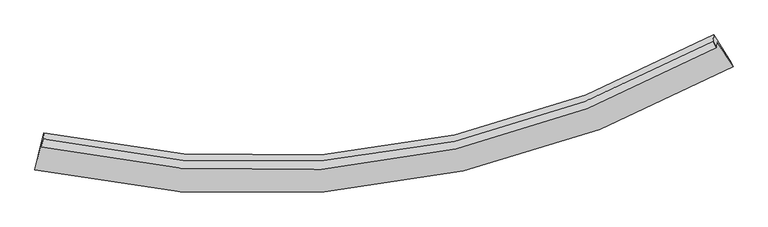
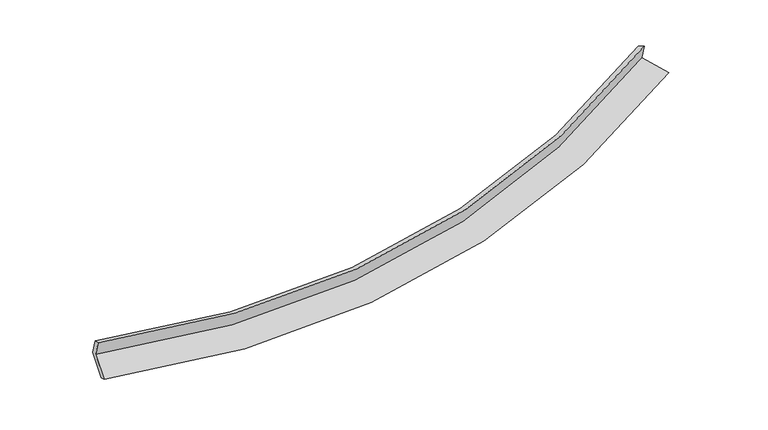
"""IFC4 building model written with IfcOpenShell, lengths in millimetres: proxy geometry."""

from ifc_helpers import new_model, si_unit, frame, origin, place, context, project, spatial, source, transform, mapped, element, save
from ifc_brep_helpers import plane_surface, spline_curve, spline_surface, advanced_brep


def generic_models_c0a1fc54(model_context):
    return source(origin(), model_context, "Body", "AdvancedBrep", [
        advanced_brep(
        [(-6827.5148752, -2047.9420261, 1500.9304077), (-6977.7936672, -2665.1954855, 1287.801174), (7946.7725259, -450.7051562, 2568.7134338), (7597.9599051, 87.7924151, 2737.5980726), (-6840.859515, -2174.3800436, 1876.5228062), (7584.4529271, -40.1837273, 3117.7595715), (-6802.8660127, -1995.6593702, 1805.558662), (7518.9425454, 96.3737738, 3060.552403), (-6789.5213729, -1869.2213527, 1429.9662635), (7533.0528148, 230.0659906, 2663.4109312), (-6940.9258487, -2491.0984335, 1215.2405562), (7880.5687344, -306.429731, 2495.1541164)],
        [
            (0, 1),
            (1, 2, spline_curve(3, [(-6977.7936672, -2665.1954855, 1287.801174), (-4874.089171905, -3126.170372651, 1222.215171535), (-2811.523608425, -3282.213193038, 1252.122895385), (2212.990152496, -2912.129976379, 1563.824196478), (5125.279987432, -2017.923713125, 1960.887226186), (7946.7725259, -450.7051562, 2568.7134338)], [4, 2, 4], [0.0, 20.03313660514447, 49.79491663804876])),
            (2, 3),
            (3, 0, spline_curve(3, [(7597.9599051, 87.7924151, 2737.5980726), (4871.152273387, -1439.897794588, 2146.442654247), (2056.385519706, -2308.823309261, 1761.354995545), (-2800.212198546, -2660.44678182, 1461.833899544), (-4793.937038356, -2503.43274795, 1434.699003683), (-6827.5148752, -2047.9420261, 1500.9304077)], [4, 2, 4], [0.0, 29.76178003290429, 49.79491663804876])),
            (4, 0),
            (3, 5),
            (5, 4, spline_curve(3, [(7584.4529271, -40.1837273, 3117.7595715), (4857.525151152, -1569.012282461, 2529.985680799), (2042.729392528, -2438.212612603, 2145.71438056), (-2813.764367521, -2788.851099995, 1843.267323512), (-4807.40608947, -2631.049541946, 1813.793034977), (-6840.859515, -2174.3800436, 1876.5228062)], [4, 2, 4], [0.0, 29.261861046678664, 48.95849407806206])),
            (6, 4),
            (5, 7),
            (7, 6, spline_curve(3, [(7518.9425454, 96.3737738, 3060.552403), (4808.730688096, -1412.208902568, 2465.135903207), (2012.984852909, -2268.243406791, 2076.151748665), (-2807.731112359, -2608.699686566, 1770.721359097), (-4785.921462335, -2450.009564357, 1741.374265844), (-6802.8660127, -1995.6593702, 1805.558662)], [4, 2, 4], [0.0, 29.15407966643749, 48.778163303548254])),
            (8, 6),
            (7, 9),
            (9, 8, spline_curve(3, [(7533.0528148, 230.0659906, 2663.4109312), (4822.887245503, -1278.078114702, 2066.691628585), (2027.068863413, -2134.799982199, 1679.749330938), (-2793.96730301, -2478.290118232, 1383.331208487), (-4772.340317361, -2321.330699224, 1359.125283228), (-6789.5213729, -1869.2213527, 1429.9662635)], [4, 2, 4], [0.0, 29.04621976435371, 48.597701152866684])),
            (10, 8),
            (9, 11),
            (11, 10, spline_curve(3, [(7880.5687344, -306.429731, 2495.1541164), (5079.002777665, -1878.493862357, 1873.669598614), (2187.00308298, -2771.098503971, 1471.230576616), (-2802.954639302, -3127.715112936, 1164.391895768), (-4851.45313925, -2963.333371673, 1140.193064347), (-6940.9258487, -2491.0984335, 1215.2405562)], [4, 2, 4], [0.0, 29.558778828130556, 49.45527203151126])),
            (1, 10),
            (11, 2),
        ],
        [
            spline_surface(3, 3, [[(-6827.5148752, -2047.9420261, 1500.9304077), (-4793.937038449, -2503.432747741, 1434.699003655), (-2800.212198688, -2660.446781686, 1461.833899725), (2056.385519917, -2308.82330946, 1761.354995276), (4871.1522736, -1439.897795079, 2146.442654129), (7597.9599051, 87.7924151, 2737.5980726)], [(-6877.607805864, -2253.693179234, 1429.887329814), (-4820.654416232, -2711.011956025, 1363.871059686), (-2803.982668723, -2867.702252078, 1391.930231641), (2108.587064249, -2509.925531912, 1695.511395626), (4955.86151161, -1632.573101182, 2084.590844691), (7714.230778716, -91.706775312, 2681.303192998)], [(-6927.700736536, -2459.444332366, 1358.844251886), (-4847.371794024, -2918.591164308, 1293.043115677), (-2807.753138706, -3074.9577224, 1322.026563565), (2160.788608633, -2711.027754294, 1629.667795986), (5040.570749572, -1825.248407351, 2022.739035258), (7830.501652284, -271.205965788, 2625.008313402)], [(-6977.7936672, -2665.1954855, 1287.801174), (-4874.089171808, -3126.170372592, 1222.215171709), (-2811.523608741, -3282.213192791, 1252.12289548), (2212.990152965, -2912.129976745, 1563.824196337), (5125.279987582, -2017.923713454, 1960.88722582), (7946.7725259, -450.7051562, 2568.7134338)]], [4, 4], [4, 2, 4], [0.0, 2.1283160668795014], [0.0, 20.03313660514447, 49.79491663804876]),
            spline_surface(3, 3, [[(-6840.859515, -2174.3800436, 1876.5228062), (-4807.40608979, -2631.049541799, 1813.793034997), (-2813.764367673, -2788.851100055, 1843.267323544), (2042.729392754, -2438.212612515, 2145.714380512), (4857.525151357, -1569.01228217, 2529.985680367), (7584.4529271, -40.1837273, 3117.7595715)], [(-6836.411301731, -2132.234037758, 1751.325340022), (-4802.916406007, -2588.510610438, 1687.428357871), (-2809.246978015, -2746.049660595, 1716.122848948), (2047.281435139, -2395.082844826, 2017.594585443), (4862.067525445, -1525.97411982, 2402.138004948), (7588.955253107, 2.474986819, 2991.039071861)], [(-6831.963088469, -2090.088031942, 1626.127873878), (-4798.426722231, -2545.971679103, 1561.06368078), (-2804.729588346, -2703.248221146, 1588.978374322), (2051.833477533, -2351.953077149, 1889.474790344), (4866.609899512, -1482.935957428, 2274.290329547), (7593.457579093, 45.133700981, 2864.318572239)], [(-6827.5148752, -2047.9420261, 1500.9304077), (-4793.937038449, -2503.432747741, 1434.699003655), (-2800.212198688, -2660.446781686, 1461.833899725), (2056.385519917, -2308.82330946, 1761.354995276), (4871.1522736, -1439.897795079, 2146.442654129), (7597.9599051, 87.7924151, 2737.5980726)]], [4, 4], [4, 2, 4], [0.0, 1.3275112427784597], [0.0, 19.696633031383396, 48.95849407806206]),
            spline_surface(3, 3, [[(-6802.8660127, -1995.6593702, 1805.558662), (-4785.921462609, -2450.009564252, 1741.374266044), (-2807.731112136, -2608.699686876, 1770.721358873), (2012.984852577, -2268.24340633, 2076.151748997), (4808.730688133, -1412.208902342, 2465.135903193), (7518.9425454, 96.3737738, 3060.552403)], [(-6815.530513478, -2055.232928008, 1829.213376718), (-4793.083005014, -2510.356223442, 1765.51385568), (-2809.742197315, -2668.750157912, 1794.903347073), (2022.899699303, -2324.899808368, 2099.339292812), (4824.995509185, -1464.476695606, 2486.752495598), (7540.779339277, 50.854606779, 3079.62145918)], [(-6828.195014222, -2114.806485792, 1852.868091482), (-4800.244547384, -2570.702882608, 1789.653445361), (-2811.753282494, -2728.800629019, 1819.085335344), (2032.814546028, -2381.556210477, 2122.526836697), (4841.260330306, -1516.744488906, 2508.369087962), (7562.616133223, 5.335439721, 3098.69051532)], [(-6840.859515, -2174.3800436, 1876.5228062), (-4807.40608979, -2631.049541799, 1813.793034997), (-2813.764367673, -2788.851100055, 1843.267323544), (2042.729392754, -2438.212612515, 2145.714380512), (4857.525151357, -1569.01228217, 2529.985680367), (7584.4529271, -40.1837273, 3117.7595715)]], [4, 4], [4, 2, 4], [0.0, 0.6141291901928299], [0.0, 19.624083637110765, 48.778163303548254]),
            spline_surface(3, 3, [[(-6789.5213729, -1869.2213527, 1429.9662635), (-4772.340317173, -2321.330699183, 1359.125283318), (-2793.967303153, -2478.290118405, 1383.331208367), (2027.068863625, -2134.799981943, 1679.749331117), (4822.887245567, -1278.078114899, 2066.69162862), (7533.0528148, 230.0659906, 2663.4109312)], [(-6793.969586169, -1911.367358542, 1555.163729678), (-4776.867365654, -2364.223654215, 1486.541610905), (-2798.555239476, -2521.759974586, 1512.46125854), (2022.37419328, -2179.281123429, 1811.883470415), (4818.16839312, -1322.788377376, 2199.506386802), (7528.349391697, 185.501918337, 2795.791421791)], [(-6798.417799431, -1953.513364358, 1680.361195822), (-4781.394414128, -2407.11660922, 1613.957938457), (-2803.143175813, -2565.229830695, 1641.5913087), (2017.679522921, -2223.762264844, 1944.017609699), (4813.449540581, -1367.498639865, 2332.32114501), (7523.645968503, 140.937846063, 2928.171912409)], [(-6802.8660127, -1995.6593702, 1805.558662), (-4785.921462609, -2450.009564252, 1741.374266044), (-2807.731112136, -2608.699686876, 1770.721358873), (2012.984852577, -2268.24340633, 2076.151748997), (4808.730688133, -1412.208902342, 2465.135903193), (7518.9425454, 96.3737738, 3060.552403)]], [4, 4], [4, 2, 4], [0.0, 1.3625865969555098], [0.0, 19.551481388512972, 48.597701152866684]),
            spline_surface(3, 3, [[(-6940.9258487, -2491.0984335, 1215.2405562), (-4851.453139533, -2963.333371847, 1140.193064207), (-2802.954639476, -3127.715112644, 1164.391895791), (2187.003083239, -2771.098504405, 1471.230576581), (5079.002777557, -1878.49386278, 1873.669598415), (7880.5687344, -306.429731, 2495.1541164)], [(-6890.457690091, -2283.806073227, 1286.815791973), (-4825.082198738, -2749.332480953, 1213.170470584), (-2799.958860691, -2911.240114562, 1237.371666674), (2133.691676711, -2558.998996916, 1540.736828117), (4993.630933542, -1678.355280177, 1938.010275173), (7764.730094515, -127.597823824, 2551.239721356)], [(-6839.989531509, -2076.513712973, 1358.391027727), (-4798.711257969, -2535.331590078, 1286.147876941), (-2796.963081938, -2694.765116487, 1310.351437484), (2080.380270153, -2346.899489433, 1610.243079581), (4908.259089582, -1478.216697502, 2002.350951862), (7648.891454685, 51.234083424, 2607.325326244)], [(-6789.5213729, -1869.2213527, 1429.9662635), (-4772.340317173, -2321.330699183, 1359.125283318), (-2793.967303153, -2478.290118405, 1383.331208367), (2027.068863625, -2134.799981943, 1679.749331117), (4822.887245567, -1278.078114899, 2066.69162862), (7533.0528148, 230.0659906, 2663.4109312)]], [4, 4], [4, 2, 4], [0.0, 2.233122806833533], [0.0, 19.8964932033807, 49.45527203151126]),
            spline_surface(3, 3, [[(-6977.7936672, -2665.1954855, 1287.801174), (-4874.089171808, -3126.170372592, 1222.215171709), (-2811.523608741, -3282.213192791, 1252.12289548), (2212.990152965, -2912.129976745, 1563.824196337), (5125.279987582, -2017.923713454, 1960.88722582), (7946.7725259, -450.7051562, 2568.7134338)], [(-6965.504394367, -2607.163134831, 1263.614301395), (-4866.543827716, -3071.891372342, 1194.874469203), (-2808.667285647, -3230.713832725, 1222.879228906), (2204.327796395, -2865.119485948, 1532.959656406), (5109.854250895, -1971.447096562, 1931.814683331), (7924.704595388, -402.613347799, 2544.193661313)], [(-6953.215121533, -2549.130784169, 1239.427428805), (-4858.998483625, -3017.612372098, 1167.533766713), (-2805.81096257, -3179.214472711, 1193.635562366), (2195.665439809, -2818.108995203, 1502.095116512), (5094.428514244, -1924.970479672, 1902.742140904), (7902.636664912, -354.521539401, 2519.673888887)], [(-6940.9258487, -2491.0984335, 1215.2405562), (-4851.453139533, -2963.333371847, 1140.193064207), (-2802.954639476, -3127.715112644, 1164.391895791), (2187.003083239, -2771.098504405, 1471.230576581), (5079.002777557, -1878.49386278, 1873.669598415), (7880.5687344, -306.429731, 2495.1541164)]], [4, 4], [4, 2, 4], [0.0, 0.5647727342841224], [0.0, 20.305587162134607, 50.472127253675964]),
            plane_surface(frame((7676.9582421, -63.8477392, 2773.8647548), z_axis=(0.8499718430350542, 0.4894274061808092, 0.19495814968017772), x_axis=(-0.03365373015496873, -0.31886292808406097, 0.947203177539178))),
            plane_surface(frame((-6863.2468819, -2207.2494519, 1519.3366449), z_axis=(-0.9739459415051024, 0.2231326727673493, 0.040510657479711554), x_axis=(0.22426932352063111, 0.9211613558097679, 0.3180645014620599))),
        ],
        [
            (0, [[1, 2, 3, 4]]),
            (1, [[5, -4, 6, 7]]),
            (2, [[8, -7, 9, 10]]),
            (3, [[11, -10, 12, 13]]),
            (4, [[14, -13, 15, 16]]),
            (5, [[17, -16, 18, -2]]),
            (6, [[-12, -9, -6, -3, -18, -15]]),
            (7, [[-1, -5, -8, -11, -14, -17]]),
        ],
    ),
    ])


if __name__ == "__main__":
    model = new_model("IFC4")
    model_context = context("Model", 3, world=origin())
    ifc_project = project(units=[si_unit("LENGTHUNIT", "METRE", prefix="MILLI")], contexts=[model_context])
    site = spatial("IfcSite", under=ifc_project)
    building = spatial("IfcBuilding", under=site)
    placement = place(None, origin())
    generic_models_shape = generic_models_c0a1fc54(model_context)
    element("IfcBuildingElementProxy", 1, Name="Generic Models", at=placement, inside=building, context=model_context, shape_type="MappedRepresentation", body=[
        mapped(generic_models_shape, transform((0.0, 0.0, 0.0), x_axis=(1.0, 0.0, 0.0), y_axis=(0.0, 1.0, 0.0), z_axis=(0.0, 0.0, 1.0))),
    ])
    save(model, "model.ifc")
